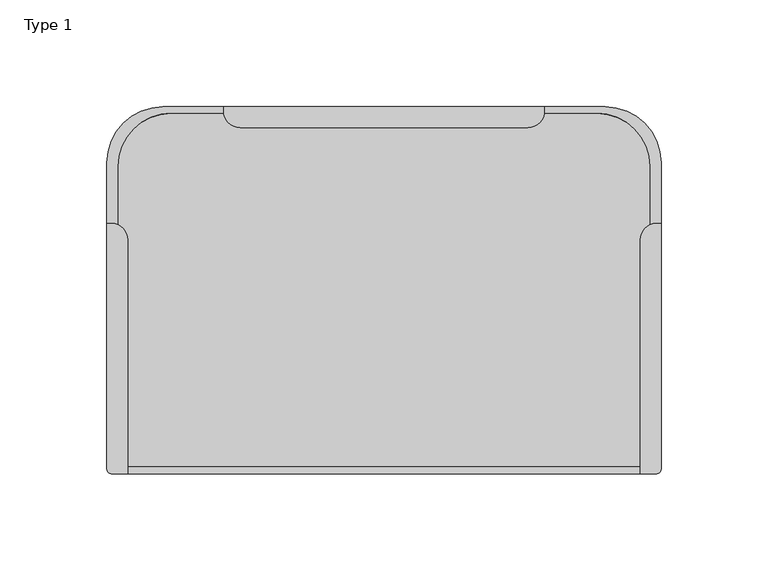
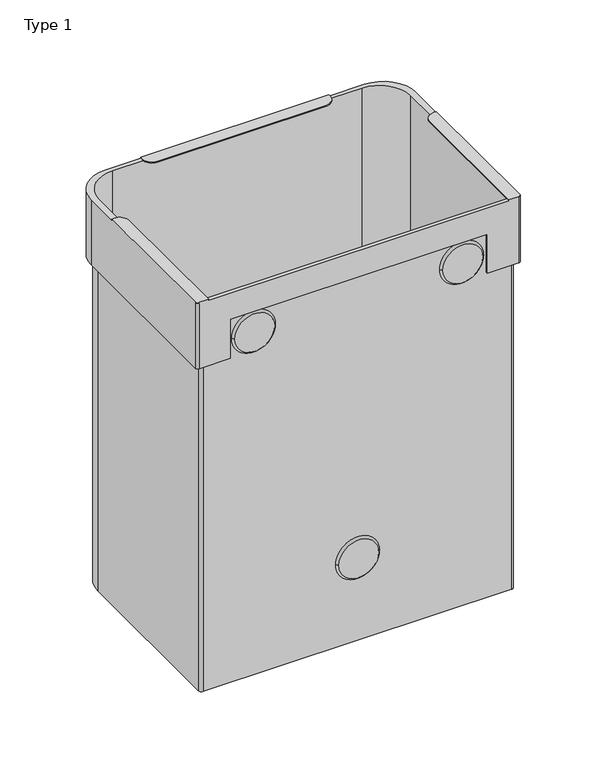
"""IFC4 building model written with IfcOpenShell, lengths in millimetres: furniture geometry, Type 1."""

from ifc_helpers import new_model, si_unit, point, frame, frame_2d, origin, place, context, project, spatial, polyline, circle_curve, trimmed, segment, composite_curve, outline, extrude, source, transform, mapped, element, save
from ifc_brep_helpers import plane_surface, cylinder_surface, revolved_surface, advanced_brep


def type_1_4658b16f(model_context):
    return source(origin(), model_context, "Body", "SolidModel", [
        advanced_brep(
        [(254.4999806, 221.5749924, 329.999988), (228.4999806, 247.5749924, 329.999988), (200.0000369, 247.5749924, 329.999988), (200.0000369, 245.5750031, 329.999988), (199.9348213, 244.5749691, 329.999988), (224.5000011, 244.5749691, 329.999988), (249.5000011, 219.5749691, 329.999988), (249.5000011, 192.4827059, 329.999988), (252.4517944, 193.074976, 329.999988), (254.4999806, 193.074976, 329.999988), (21.5000194, 247.5749924, 329.999988), (-4.4999806, 221.5749924, 329.999988), (-4.4999806, 193.074976, 329.999988), (-2.4517944, 193.074976, 329.999988), (0.5000057, 192.4827031, 329.999988), (0.5000057, 219.5749691, 329.999988), (25.5000057, 244.5749691, 329.999988), (50.0700815, 244.5749691, 329.999988), (50.0000358, 245.613833, 329.999988), (50.0000358, 247.5749924, 329.999988), (244.7999913, 79.1750126, 329.999988), (5.2000087, 79.1750126, 329.999988), (5.2000087, 76.0, 329.999988), (244.7999913, 76.0, 329.999988), (254.4999806, 78.0, 275.0000021), (252.4999806, 76.0, 275.0000021), (227.5000298, 76.0, 275.0000021), (227.5000298, 78.1750126, 275.0000021), (248.0000011, 78.1750126, 275.0000021), (250.5000011, 80.6750126, 275.0000021), (250.5000011, 219.5749691, 275.0000021), (224.5000011, 245.5749691, 275.0000021), (25.5000057, 245.5749691, 275.0000021), (-0.4999943, 219.5749691, 275.0000021), (-0.4999943, 80.6750126, 275.0000021), (2.0000057, 78.1750126, 275.0000021), (22.4999701, 78.1750126, 275.0000021), (22.4999701, 76.0, 275.0000021), (-2.4999806, 76.0, 275.0000021), (-4.4999806, 78.0, 275.0000021), (-4.4999806, 221.5749924, 275.0000021), (21.5000194, 247.5749924, 275.0000021), (228.4999806, 247.5749924, 275.0000021), (254.4999806, 221.5749924, 275.0000021), (254.4999806, 193.074976, 330.9999996), (254.4999806, 78.0, 330.9999996), (254.4999806, 78.0, 329.999988), (50.0000358, 247.5749924, 330.9999996), (200.0000369, 247.5749924, 330.9999996), (-4.4999806, 78.0, 329.999988), (-4.4999806, 78.0, 330.9999996), (-4.4999806, 193.074976, 330.9999996), (-2.4999806, 76.0, 329.999988), (22.4999701, 76.0, 307.9166702), (227.5000298, 76.0, 307.9166702), (252.4999806, 76.0, 329.999988), (252.4999806, 76.0, 330.9999996), (244.7999913, 76.0, 330.9999996), (5.2000087, 76.0, 330.9999996), (-2.4999806, 76.0, 330.9999996), (250.5000011, 219.5749691, 0.0), (250.5000011, 80.6750126, 0.0), (248.0000011, 78.1750126, 0.0), (2.0000057, 78.1750126, 0.0), (-0.4999943, 80.6750126, 0.0), (-0.4999943, 219.5749691, 0.0), (25.5000057, 245.5749691, 0.0), (224.5000011, 245.5749691, 0.0), (249.5000011, 219.5749691, 0.0), (224.5000011, 244.5749691, 0.0), (25.5000057, 244.5749691, 0.0), (0.5000057, 219.5749691, 0.0), (0.5000057, 80.6750126, 0.0), (2.0000057, 79.1750126, 0.0), (248.0000011, 79.1750126, 0.0), (249.5000011, 80.6750126, 0.0), (227.5000298, 78.1750126, 307.9166702), (22.4999701, 78.1750126, 307.9166702), (249.5000011, 80.6750126, 329.999988), (248.0000011, 79.1750126, 329.999988), (2.0000057, 79.1750126, 329.999988), (0.5000057, 80.6750126, 329.999988), (57.7388657, 237.8750031, 330.9999996), (192.3000369, 237.8750031, 330.9999996), (200.0000369, 245.5750031, 330.9999996), (50.0000358, 245.613833, 330.9999996), (244.7999913, 185.4231729, 330.9999996), (252.4517944, 193.074976, 330.9999996), (5.2000087, 185.4231729, 330.9999996), (-2.4517944, 193.074976, 330.9999996), (192.3000369, 237.8750031, 329.999988), (57.7388657, 237.8750031, 329.999988), (244.7999913, 185.4231729, 329.999988), (5.2000087, 185.4231729, 329.999988)],
        [
            (0, 1, circle_curve(frame((228.4999806, 221.5749924, 329.999988), z_axis=(0.0, 0.0, 1.0), x_axis=(-1.0, 0.0, 0.0)), 26.0)),
            (1, 2),
            (2, 3),
            (3, 4, circle_curve(frame((192.3000369, 245.5750031, 329.999988), z_axis=(0.0, 0.0, -1.0), x_axis=(-1.0, 0.0, 0.0)), 7.7)),
            (4, 5),
            (5, 6, circle_curve(frame((224.5000011, 219.5749691, 329.999988), z_axis=(0.0, 0.0, -1.0), x_axis=(-1.0, 0.0, 0.0)), 25.0)),
            (6, 7),
            (7, 8, circle_curve(frame((252.4517944, 185.4231729, 329.999988), z_axis=(0.0, 0.0, -1.0), x_axis=(-1.0, 0.0, 0.0)), 7.651803)),
            (8, 9),
            (9, 0),
            (10, 11, circle_curve(frame((21.5000194, 221.5749924, 329.999988), z_axis=(0.0, 0.0, 1.0), x_axis=(-1.0, 0.0, 0.0)), 26.0)),
            (11, 12),
            (12, 13),
            (13, 14, circle_curve(frame((-2.4517944, 185.4231729, 329.999988), z_axis=(0.0, 0.0, -1.0), x_axis=(1.0, 0.0, 0.0)), 7.651803)),
            (14, 15),
            (15, 16, circle_curve(frame((25.5000057, 219.5749691, 329.999988), z_axis=(0.0, 0.0, -1.0), x_axis=(-1.0, 0.0, 0.0)), 25.0)),
            (16, 17),
            (17, 18, circle_curve(frame((57.7388657, 245.613833, 329.999988), z_axis=(0.0, 0.0, -1.0), x_axis=(-1.0, 0.0, 0.0)), 7.73883)),
            (18, 19),
            (19, 10),
            (20, 21),
            (21, 22),
            (22, 23),
            (23, 20),
            (24, 25, circle_curve(frame((252.4999806, 78.0, 275.0000021), z_axis=(0.0, 0.0, -1.0), x_axis=(-1.0, 0.0, 0.0)), 2.0)),
            (25, 26),
            (26, 27),
            (27, 28),
            (28, 29, circle_curve(frame((248.0000011, 80.6750126, 275.0000021), z_axis=(0.0, 0.0, 1.0), x_axis=(-1.0, 0.0, 0.0)), 2.5)),
            (29, 30),
            (30, 31, circle_curve(frame((224.5000011, 219.5749691, 275.0000021), z_axis=(0.0, 0.0, 1.0), x_axis=(-1.0, 0.0, 0.0)), 26.0)),
            (31, 32),
            (32, 33, circle_curve(frame((25.5000057, 219.5749691, 275.0000021), z_axis=(0.0, 0.0, 1.0), x_axis=(-1.0, 0.0, 0.0)), 26.0)),
            (33, 34),
            (34, 35, circle_curve(frame((2.0000057, 80.6750126, 275.0000021), z_axis=(0.0, 0.0, 1.0), x_axis=(-1.0, 0.0, 0.0)), 2.5)),
            (35, 36),
            (36, 37),
            (37, 38),
            (38, 39, circle_curve(frame((-2.4999806, 78.0, 275.0000021), z_axis=(0.0, 0.0, -1.0), x_axis=(-1.0, 0.0, 0.0)), 2.0)),
            (39, 40),
            (40, 41, circle_curve(frame((21.5000194, 221.5749924, 275.0000021), z_axis=(0.0, 0.0, -1.0), x_axis=(-1.0, 0.0, 0.0)), 26.0)),
            (41, 42),
            (42, 43, circle_curve(frame((228.4999806, 221.5749924, 275.0000021), z_axis=(0.0, 0.0, -1.0), x_axis=(-1.0, 0.0, 0.0)), 26.0)),
            (43, 24),
            (43, 0),
            (9, 44),
            (44, 45),
            (45, 46),
            (46, 24),
            (42, 1),
            (41, 10),
            (19, 47),
            (47, 48),
            (48, 2),
            (40, 11),
            (39, 49),
            (49, 50),
            (50, 51),
            (51, 12),
            (38, 52),
            (52, 49, circle_curve(frame((-2.4999806, 78.0, 329.999988), z_axis=(0.0, 0.0, -1.0), x_axis=(-1.0, 0.0, 0.0)), 2.0)),
            (37, 53),
            (53, 54),
            (54, 26),
            (25, 55),
            (55, 56),
            (56, 57),
            (57, 23),
            (22, 58),
            (58, 59),
            (59, 52),
            (46, 55, circle_curve(frame((252.4999806, 78.0, 329.999988), z_axis=(0.0, 0.0, -1.0), x_axis=(-1.0, 0.0, 0.0)), 2.0)),
            (60, 61),
            (61, 62, circle_curve(frame((248.0000011, 80.6750126, 0.0), z_axis=(0.0, 0.0, -1.0), x_axis=(-1.0, 0.0, 0.0)), 2.5)),
            (62, 63),
            (63, 64, circle_curve(frame((2.0000057, 80.6750126, 0.0), z_axis=(0.0, 0.0, -1.0), x_axis=(-1.0, 0.0, 0.0)), 2.5)),
            (64, 65),
            (65, 66, circle_curve(frame((25.5000057, 219.5749691, 0.0), z_axis=(0.0, 0.0, -1.0), x_axis=(-1.0, 0.0, 0.0)), 26.0)),
            (66, 67),
            (67, 60, circle_curve(frame((224.5000011, 219.5749691, 0.0), z_axis=(0.0, 0.0, -1.0), x_axis=(-1.0, 0.0, 0.0)), 26.0)),
            (68, 69, circle_curve(frame((224.5000011, 219.5749691, 0.0), z_axis=(0.0, 0.0, 1.0), x_axis=(-1.0, 0.0, 0.0)), 25.0)),
            (69, 70),
            (70, 71, circle_curve(frame((25.5000057, 219.5749691, 0.0), z_axis=(0.0, 0.0, 1.0), x_axis=(-1.0, 0.0, 0.0)), 25.0)),
            (71, 72),
            (72, 73, circle_curve(frame((2.0000057, 80.6750126, 0.0), z_axis=(0.0, 0.0, 1.0), x_axis=(-1.0, 0.0, 0.0)), 1.5)),
            (73, 74),
            (74, 75, circle_curve(frame((248.0000011, 80.6750126, 0.0), z_axis=(0.0, 0.0, 1.0), x_axis=(-1.0, 0.0, 0.0)), 1.5)),
            (75, 68),
            (67, 31),
            (30, 60),
            (66, 32),
            (65, 33),
            (64, 34),
            (63, 35),
            (62, 28),
            (27, 76),
            (76, 77),
            (77, 36),
            (61, 29),
            (75, 78),
            (78, 7),
            (6, 68),
            (74, 79),
            (79, 78, circle_curve(frame((248.0000011, 80.6750126, 329.999988), z_axis=(0.0, 0.0, 1.0), x_axis=(-1.0, 0.0, 0.0)), 1.5)),
            (73, 80),
            (80, 21),
            (20, 79),
            (72, 81),
            (81, 80, circle_curve(frame((2.0000057, 80.6750126, 329.999988), z_axis=(0.0, 0.0, 1.0), x_axis=(-1.0, 0.0, 0.0)), 1.5)),
            (71, 15),
            (14, 81),
            (70, 16),
            (69, 5),
            (4, 17),
            (53, 77),
            (76, 54),
            (82, 83),
            (83, 84, circle_curve(frame((192.3000369, 245.5750031, 330.9999996), z_axis=(0.0, 0.0, 1.0), x_axis=(-1.0, 0.0, 0.0)), 7.7)),
            (84, 48),
            (47, 85),
            (85, 82, circle_curve(frame((57.7388657, 245.613833, 330.9999996), z_axis=(0.0, 0.0, 1.0), x_axis=(-1.0, 0.0, 0.0)), 7.73883)),
            (86, 57),
            (56, 45, circle_curve(frame((252.4999806, 78.0, 330.9999996), z_axis=(0.0, 0.0, 1.0), x_axis=(-1.0, 0.0, 0.0)), 2.0)),
            (44, 87),
            (87, 86, circle_curve(frame((252.4517944, 185.4231729, 330.9999996), z_axis=(0.0, 0.0, 1.0), x_axis=(-1.0, 0.0, 0.0)), 7.651803)),
            (88, 89, circle_curve(frame((-2.4517944, 185.4231729, 330.9999996), z_axis=(0.0, 0.0, 1.0), x_axis=(1.0, 0.0, 0.0)), 7.651803)),
            (89, 51),
            (50, 59, circle_curve(frame((-2.4999806, 78.0, 330.9999996), z_axis=(0.0, 0.0, 1.0), x_axis=(1.0, 0.0, 0.0)), 2.0)),
            (58, 88),
            (90, 91),
            (91, 17, circle_curve(frame((57.7388657, 245.613833, 329.999988), z_axis=(0.0, 0.0, -1.0), x_axis=(-1.0, 0.0, 0.0)), 7.73883)),
            (4, 90, circle_curve(frame((192.3000369, 245.5750031, 329.999988), z_axis=(0.0, 0.0, -1.0), x_axis=(-1.0, 0.0, 0.0)), 7.7)),
            (92, 7, circle_curve(frame((252.4517944, 185.4231729, 329.999988), z_axis=(0.0, 0.0, -1.0), x_axis=(-1.0, 0.0, 0.0)), 7.651803)),
            (20, 92),
            (93, 21),
            (14, 93, circle_curve(frame((-2.4517944, 185.4231729, 329.999988), z_axis=(0.0, 0.0, -1.0), x_axis=(1.0, 0.0, 0.0)), 7.651803)),
            (82, 91),
            (90, 83),
            (3, 84),
            (18, 85),
            (86, 92),
            (8, 87),
            (88, 93),
            (13, 89),
        ],
        [
            plane_surface(frame((250.5000011, 80.6750053, 329.999988), z_axis=(0.0, 0.0, 1.0), x_axis=(0.0, -1.0, 0.0))),
            plane_surface(frame((250.5000011, 80.6750053, 275.0000021), z_axis=(0.0, 0.0, -1.0), x_axis=(0.0, 1.0, 0.0))),
            plane_surface(frame((254.4999806, 78.0, 329.999988), z_axis=(1.0, 0.0, 0.0), x_axis=(0.0, 0.0, -1.0))),
            cylinder_surface(frame((228.4999806, 221.5749924, 447.0), z_axis=(0.0, 0.0, 1.0), x_axis=(-1.0, 0.0, 0.0)), 26.0),
            plane_surface(frame((228.4999806, 247.5749924, 329.999988), z_axis=(0.0, 1.0, 0.0), x_axis=(0.0, 0.0, -1.0))),
            cylinder_surface(frame((21.5000194, 221.5749924, 447.0), z_axis=(0.0, 0.0, 1.0), x_axis=(-1.0, 0.0, 0.0)), 26.0),
            plane_surface(frame((-4.4999806, 221.5749924, 329.999988), z_axis=(-1.0, 0.0, 0.0), x_axis=(0.0, 0.0, -1.0))),
            cylinder_surface(frame((-2.4999806, 78.0, 447.0), z_axis=(0.0, 0.0, 1.0), x_axis=(-1.0, 0.0, 0.0)), 2.0),
            plane_surface(frame((-2.4999806, 76.0, 329.999988), z_axis=(0.0, -1.0, 0.0), x_axis=(0.0, 0.0, -1.0))),
            cylinder_surface(frame((252.4999806, 78.0, 447.0), z_axis=(0.0, 0.0, 1.0), x_axis=(-1.0, 0.0, 0.0)), 2.0),
            plane_surface(frame((198.5000011, 219.5749691, 0.0), z_axis=(0.0, 0.0, -1.0), x_axis=(0.0, 1.0, 0.0))),
            cylinder_surface(frame((224.5000011, 219.5749691, 0.0), z_axis=(0.0, 0.0, 1.0), x_axis=(-1.0, 0.0, 0.0)), 26.0),
            plane_surface(frame((224.5000011, 245.5749691, 329.999988), z_axis=(0.0, 1.0, 0.0), x_axis=(0.0, 0.0, -1.0))),
            cylinder_surface(frame((25.5000057, 219.5749691, 0.0), z_axis=(0.0, 0.0, 1.0), x_axis=(-1.0, 0.0, 0.0)), 26.0),
            plane_surface(frame((-0.4999943, 219.5749691, 329.999988), z_axis=(-1.0, 0.0, 0.0), x_axis=(0.0, 0.0, -1.0))),
            cylinder_surface(frame((2.0000057, 80.6750126, 0.0), z_axis=(0.0, 0.0, 1.0), x_axis=(-1.0, 0.0, 0.0)), 2.5),
            plane_surface(frame((2.0000057, 78.1750126, 329.999988), z_axis=(0.0, -1.0, 0.0), x_axis=(0.0, 0.0, -1.0))),
            cylinder_surface(frame((248.0000011, 80.6750126, 0.0), z_axis=(0.0, 0.0, 1.0), x_axis=(-1.0, 0.0, 0.0)), 2.5),
            plane_surface(frame((250.5000011, 80.6750126, 329.999988), z_axis=(1.0, 0.0, 0.0), x_axis=(0.0, 0.0, -1.0))),
            plane_surface(frame((249.5000011, 219.5749691, 329.999988), z_axis=(-1.0, 0.0, 0.0), x_axis=(0.0, 0.0, -1.0))),
            revolved_surface(polyline([(246.5000011, 80.6750126, 0.0), (246.5000011, 80.6750126, 329.999988)]), (248.0000011, 80.6750126, 447.0), (0.0, 0.0, -1.0)),
            plane_surface(frame((248.0000011, 79.1750126, 329.999988), z_axis=(0.0, 1.0, 0.0), x_axis=(0.0, 0.0, -1.0))),
            revolved_surface(polyline([(0.5000057, 80.6750126, 0.0), (0.5000057, 80.6750126, 329.999988)]), (2.0000057, 80.6750126, 447.0), (0.0, 0.0, -1.0)),
            plane_surface(frame((0.5000057, 80.6750126, 329.999988), z_axis=(1.0, 0.0, 0.0), x_axis=(0.0, 0.0, -1.0))),
            revolved_surface(polyline([(0.5000056999999991, 219.5749691, 0.0), (0.5000056999999991, 219.5749691, 329.999988)]), (25.5000057, 219.5749691, 447.0), (0.0, 0.0, -1.0)),
            plane_surface(frame((25.5000057, 244.5749691, 329.999988), z_axis=(0.0, -1.0, 0.0), x_axis=(0.0, 0.0, -1.0))),
            revolved_surface(polyline([(199.5000011, 219.5749691, 0.0), (199.5000011, 219.5749691, 329.999988)]), (224.5000011, 219.5749691, 447.0), (0.0, 0.0, -1.0)),
            plane_surface(frame((22.4999701, 78.1750126, 307.9166702), z_axis=(0.0, 0.0, -1.0), x_axis=(0.0, -1.0, 0.0))),
            plane_surface(frame((227.5000298, 78.1750126, 307.9166702), z_axis=(-1.0, 0.0, 0.0), x_axis=(0.0, -1.0, 0.0))),
            plane_surface(frame((22.4999701, 78.1750126, 261.2665637), z_axis=(1.0, 0.0, 0.0), x_axis=(0.0, -1.0, 0.0))),
            plane_surface(frame((192.2999982, 237.8750031, 330.9999996), z_axis=(0.0, 0.0, 1.0), x_axis=(1.0, 0.0, 0.0))),
            plane_surface(frame((192.2999982, 237.8750031, 329.999988), z_axis=(0.0, 0.0, -1.0), x_axis=(-1.0, 0.0, 0.0))),
            plane_surface(frame((57.7388657, 237.8750031, 330.9999996), z_axis=(0.0, -1.0, 0.0), x_axis=(0.0, 0.0, -1.0))),
            cylinder_surface(frame((192.3000369, 245.5750031, 329.999988), z_axis=(0.0, 0.0, 1.0), x_axis=(-1.0, 0.0, 0.0)), 7.7),
            plane_surface(frame((200.0000369, 245.5750031, 330.9999996), z_axis=(1.0, 0.0, 0.0), x_axis=(0.0, 0.0, -1.0))),
            plane_surface(frame((50.0000358, 247.5749924, 330.9999996), z_axis=(-1.0, 0.0, 0.0), x_axis=(0.0, 0.0, -1.0))),
            cylinder_surface(frame((57.7388657, 245.613833, 329.999988), z_axis=(0.0, 0.0, 1.0), x_axis=(-1.0, 0.0, 0.0)), 7.73883),
            plane_surface(frame((244.7999913, 185.4231729, 330.9999996), z_axis=(-1.0, 0.0, 0.0), x_axis=(0.0, 0.0, -1.0))),
            plane_surface(frame((254.4999806, 193.074976, 330.9999996), z_axis=(0.0, 1.0, 0.0), x_axis=(0.0, 0.0, -1.0))),
            cylinder_surface(frame((252.4517944, 185.4231729, 447.0), z_axis=(0.0, 0.0, 1.0), x_axis=(-1.0, 0.0, 0.0)), 7.651803),
            cylinder_surface(frame((-2.4517944, 185.4231729, 447.0), z_axis=(0.0, 0.0, 1.0), x_axis=(1.0, 0.0, 0.0)), 7.651803),
            plane_surface(frame((-2.4517944, 193.074976, 330.9999996), z_axis=(0.0, 1.0, 0.0), x_axis=(0.0, 0.0, -1.0))),
            cylinder_surface(frame((-2.4999806, 78.0, 447.0), z_axis=(0.0, 0.0, 1.0), x_axis=(1.0, 0.0, 0.0)), 2.0),
            plane_surface(frame((5.2000087, 76.0, 330.9999996), z_axis=(1.0, 0.0, 0.0), x_axis=(0.0, 0.0, -1.0))),
        ],
        [
            (0, [[1, 2, 3, 4, 5, 6, 7, 8, 9, 10]]),
            (0, [[11, 12, 13, 14, 15, 16, 17, 18, 19, 20]]),
            (0, [[21, 22, 23, 24]]),
            (1, [[25, 26, 27, 28, 29, 30, 31, 32, 33, 34, 35, 36, 37, 38, 39, 40, 41, 42, 43, 44]]),
            (2, [[-44, 45, -10, 46, 47, 48, 49]]),
            (3, [[-1, -45, -43, 50]]),
            (4, [[-42, 51, -20, 52, 53, 54, -2, -50]]),
            (5, [[-11, -51, -41, 55]]),
            (6, [[-40, 56, 57, 58, 59, -12, -55]]),
            (7, [[-39, 60, 61, -56]]),
            (8, [[-60, -38, 62, 63, 64, -26, 65, 66, 67, 68, -23, 69, 70, 71]]),
            (9, [[-25, -49, 72, -65]]),
            (10, [[73, 74, 75, 76, 77, 78, 79, 80], [81, 82, 83, 84, 85, 86, 87, 88]]),
            (11, [[-80, 89, -31, 90]]),
            (12, [[-79, 91, -32, -89]]),
            (13, [[-78, 92, -33, -91]]),
            (14, [[-77, 93, -34, -92]]),
            (15, [[-76, 94, -35, -93]]),
            (16, [[-75, 95, -28, 96, 97, 98, -36, -94]]),
            (17, [[-74, 99, -29, -95]]),
            (18, [[-73, -90, -30, -99]]),
            (19, [[-88, 100, 101, -7, 102]]),
            (20, [[-87, 103, 104, -100]]),
            (21, [[-86, 105, 106, -21, 107, -103]]),
            (22, [[-85, 108, 109, -105]]),
            (23, [[-84, 110, -15, 111, -108]]),
            (24, [[-16, -110, -83, 112]]),
            (25, [[-82, 113, -5, 114, -17, -112]]),
            (26, [[-6, -113, -81, -102]]),
            (27, [[115, -97, 116, -63]]),
            (28, [[-116, -96, -27, -64]]),
            (29, [[-115, -62, -37, -98]]),
            (30, [[117, 118, 119, -53, 120, 121]]),
            (30, [[122, -67, 123, -47, 124, 125]]),
            (30, [[126, 127, -58, 128, -70, 129]]),
            (31, [[130, 131, -114, 132]]),
            (31, [[133, -101, -104, -107, 134]]),
            (31, [[135, -106, -109, -111, 136]]),
            (32, [[-117, 137, -130, 138]]),
            (33, [[-118, -138, -132, -4, 139]]),
            (34, [[-119, -139, -3, -54]]),
            (35, [[-120, -52, -19, 140]]),
            (36, [[-121, -140, -18, -131, -137]]),
            (37, [[-122, 141, -134, -24, -68]]),
            (9, [[-123, -66, -72, -48]]),
            (38, [[-124, -46, -9, 142]]),
            (39, [[-125, -142, -8, -133, -141]]),
            (40, [[-126, 143, -136, -14, 144]]),
            (41, [[-127, -144, -13, -59]]),
            (42, [[-128, -57, -61, -71]]),
            (43, [[-129, -69, -22, -135, -143]]),
        ],
    ),
        advanced_brep(
        [(140.8749985, 76.0, 70.0000014), (109.1250015, 76.0, 70.0000014), (143.0499997, 78.1750126, 70.0000014), (106.9500003, 78.1750126, 70.0000014)],
        [
            (0, 1, circle_curve(frame((125.0, 76.0, 70.0000014), z_axis=(0.0, -1.0, 0.0), x_axis=(1.0, 0.0, 0.0)), 15.8749985)),
            (1, 0, circle_curve(frame((125.0, 76.0, 70.0000014), z_axis=(0.0, -1.0, 0.0), x_axis=(-1.0, 0.0, 0.0)), 15.8749985)),
            (2, 3, circle_curve(frame((125.0, 78.1750126, 70.0000014), z_axis=(0.0, 1.0, 0.0), x_axis=(-1.0, 0.0, 0.0)), 18.0499997)),
            (3, 2, circle_curve(frame((125.0, 78.1750126, 70.0000014), z_axis=(0.0, 1.0, 0.0), x_axis=(1.0, 0.0, 0.0)), 18.0499997)),
            (2, 0),
            (1, 3),
        ],
        [
            plane_surface(frame((125.0, 76.0, 70.0000014), z_axis=(0.0, -1.0, 0.0), x_axis=(0.0, 0.0, -1.0))),
            plane_surface(frame((125.0, 78.1750126, 70.0000014), z_axis=(0.0, 1.0, 0.0), x_axis=(0.0, 0.0, -1.0))),
            revolved_surface(polyline([(109.12500153697395, 76.0, 70.0000014), (106.9500003, 78.1750126, 70.0000014)]), (125.0, 60.1249186, 70.0000014), (0.0, 1.0, 0.0)),
            revolved_surface(polyline([(140.87499846302603, 76.0, 70.0000014), (143.0499997, 78.1750126, 70.0000014)]), (125.0, 60.1249186, 70.0000014), (0.0, 1.0, 0.0)),
        ],
        [
            (0, [[1, 2]]),
            (1, [[3, 4]]),
            (2, [[-3, 5, -2, 6]]),
            (3, [[-4, -6, -1, -5]]),
        ],
    ),
        advanced_brep(
        [(26.1249998, 76.0, 289.9999949), (57.8749968, 76.0, 289.9999949), (23.9499986, 78.1750126, 289.9999949), (60.049998, 78.1750126, 289.9999949)],
        [
            (0, 1, circle_curve(frame((41.9999983, 76.0, 289.9999949), z_axis=(0.0, -1.0, 0.0), x_axis=(-1.0, 0.0, 0.0)), 15.8749985)),
            (1, 0, circle_curve(frame((41.9999983, 76.0, 289.9999949), z_axis=(0.0, -1.0, 0.0), x_axis=(1.0, 0.0, 0.0)), 15.8749985)),
            (2, 3, circle_curve(frame((41.9999983, 78.1750126, 289.9999949), z_axis=(0.0, 1.0, 0.0), x_axis=(1.0, 0.0, 0.0)), 18.0499997)),
            (3, 2, circle_curve(frame((41.9999983, 78.1750126, 289.9999949), z_axis=(0.0, 1.0, 0.0), x_axis=(-1.0, 0.0, 0.0)), 18.0499997)),
            (3, 1),
            (0, 2),
        ],
        [
            plane_surface(frame((41.9999983, 76.0, 289.9999949), z_axis=(0.0, -1.0, 0.0), x_axis=(0.0, 0.0, 1.0))),
            plane_surface(frame((41.9999983, 78.1750126, 289.9999949), z_axis=(0.0, 1.0, 0.0), x_axis=(0.0, 0.0, 1.0))),
            revolved_surface(polyline([(26.12499983697396, 76.0, 289.9999949), (23.9499986, 78.1750126, 289.9999949)]), (41.9999983, 60.1249186, 289.9999949), (0.0, 1.0, 0.0)),
            revolved_surface(polyline([(57.87499676302605, 76.0, 289.9999949), (60.049998, 78.1750126, 289.9999949)]), (41.9999983, 60.1249186, 289.9999949), (0.0, 1.0, 0.0)),
        ],
        [
            (0, [[1, 2]]),
            (1, [[3, 4]]),
            (2, [[-4, 5, -1, 6]]),
            (3, [[-3, -6, -2, -5]]),
        ],
    ),
        advanced_brep(
        [(223.8750002, 76.0, 289.9999949), (192.1250032, 76.0, 289.9999949), (226.0500014, 78.1750126, 289.9999949), (189.950002, 78.1750126, 289.9999949)],
        [
            (0, 1, circle_curve(frame((208.0000017, 76.0, 289.9999949), z_axis=(0.0, -1.0, 0.0), x_axis=(1.0, 0.0, 0.0)), 15.8749985)),
            (1, 0, circle_curve(frame((208.0000017, 76.0, 289.9999949), z_axis=(0.0, -1.0, 0.0), x_axis=(-1.0, 0.0, 0.0)), 15.8749985)),
            (2, 3, circle_curve(frame((208.0000017, 78.1750126, 289.9999949), z_axis=(0.0, 1.0, 0.0), x_axis=(-1.0, 0.0, 0.0)), 18.0499997)),
            (3, 2, circle_curve(frame((208.0000017, 78.1750126, 289.9999949), z_axis=(0.0, 1.0, 0.0), x_axis=(1.0, 0.0, 0.0)), 18.0499997)),
            (2, 0),
            (1, 3),
        ],
        [
            plane_surface(frame((208.0000017, 76.0, 289.9999949), z_axis=(0.0, -1.0, 0.0), x_axis=(0.0, 0.0, -1.0))),
            plane_surface(frame((208.0000017, 78.1750126, 289.9999949), z_axis=(0.0, 1.0, 0.0), x_axis=(0.0, 0.0, -1.0))),
            revolved_surface(polyline([(192.12500323697398, 76.0, 289.9999949), (189.950002, 78.1750126, 289.9999949)]), (208.0000017, 60.1249186, 289.9999949), (0.0, 1.0, 0.0)),
            revolved_surface(polyline([(223.87500016302604, 76.0, 289.9999949), (226.0500014, 78.1750126, 289.9999949)]), (208.0000017, 60.1249186, 289.9999949), (0.0, 1.0, 0.0)),
        ],
        [
            (0, [[1, 2]]),
            (1, [[3, 4]]),
            (2, [[-3, 5, -2, 6]]),
            (3, [[-4, -6, -1, -5]]),
        ],
    ),
        extrude(outline(composite_curve([segment(polyline([(249.5000011, 219.5749691), (249.5000011, 80.6750126)]), True, "CONTINUOUS"), segment(trimmed(circle_curve(frame_2d((248.0000011, 80.6750126)), 1.5), [point((249.5000011, 80.6750126))], [point((248.0000011, 79.1750126))], False, "CARTESIAN"), True, "CONTINUOUS"), segment(polyline([(248.0000011, 79.1750126), (2.0000057, 79.1750126)]), True, "CONTINUOUS"), segment(trimmed(circle_curve(frame_2d((2.0000057, 80.6750126)), 1.5), [point((2.0000057, 79.1750126))], [point((0.5000057, 80.6750126))], False, "CARTESIAN"), True, "CONTINUOUS"), segment(polyline([(0.5000057, 80.6750126), (0.5000057, 219.5749691)]), True, "CONTINUOUS"), segment(trimmed(circle_curve(frame_2d((25.5000057, 219.5749691)), 25.0), [point((0.5000057, 219.5749691))], [point((25.5000057, 244.5749691))], False, "CARTESIAN"), True, "CONTINUOUS"), segment(polyline([(25.5000057, 244.5749691), (224.5000011, 244.5749691)]), True, "CONTINUOUS"), segment(trimmed(circle_curve(frame_2d((224.5000011, 219.5749691)), 25.0), [point((224.5000011, 244.5749691))], [point((249.5000011, 219.5749691))], False, "CARTESIAN"), True, "CONTINUOUS")], self_intersect=False)), frame((0.0, 0.0, 15.6000005), z_axis=(0.0, 0.0, 1.0), x_axis=(1.0, 0.0, 0.0)), (0.0, 0.0, 1.0), 0.9999991),
    ])


if __name__ == "__main__":
    model = new_model("IFC4")
    model_context = context("Model", 3, world=origin())
    ifc_project = project(units=[si_unit("LENGTHUNIT", "METRE", prefix="MILLI")], contexts=[model_context])
    site = spatial("IfcSite", under=ifc_project)
    building = spatial("IfcBuilding", under=site)
    placement = place(None, origin())
    type_1_shape = type_1_4658b16f(model_context)
    element("IfcFurniture", 1, ObjectType="Type 1", at=placement, inside=building, context=model_context, shape_type="MappedRepresentation", body=[
        mapped(type_1_shape, transform((0.0, 0.0, 0.0), x_axis=(1.0, 0.0, 0.0), y_axis=(0.0, 1.0, 0.0), z_axis=(0.0, 0.0, 1.0))),
    ])
    save(model, "model.ifc")
